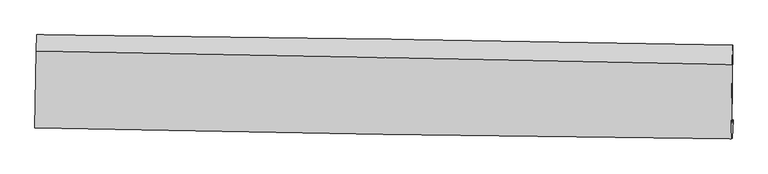
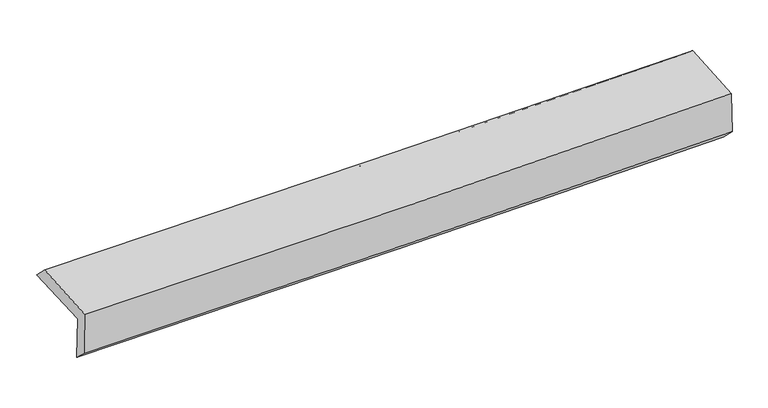
"""IFC4 building model written with IfcOpenShell, lengths in millimetres: proxy geometry."""

import ifcopenshell
import ifcopenshell.guid

model = None  # the IFC model being written
_history = None  # IfcOwnerHistory: only IFC2X3 demands one
_inside = {}  # id of a spatial element -> (the spatial element, [elements in it])
_under = {}  # id of a project, library or spatial element -> (it, [spatial elements below it])
_declared = {}  # id of a project -> (the project, [libraries it declares])
_typed = {}  # id of a type object -> (the type object, [elements of that type])
_made_of = {}  # id of a material, layer set ... -> (it, [elements and type objects made of it])


def new_model(schema):
    """Start an empty IFC model of exactly this schema.

    Asked for "IFC4X3", IfcOpenShell would pick the latest addendum, in which some entities
    have other attributes; the version numbers below select the first issue.
    IFC2X3 requires an IfcOwnerHistory on every rooted entity: one is made here for all.
    """
    global model, _history
    if schema == "IFC4X3":
        model = ifcopenshell.file(schema_version=(4, 3, 0, 0))
    else:
        model = ifcopenshell.file(schema=schema)
    _inside.clear()
    _under.clear()
    _declared.clear()
    _typed.clear()
    _made_of.clear()
    _history = None
    if model.schema == "IFC2X3":
        org = make("IfcOrganization", Name="unknown")
        user = make(
            "IfcPersonAndOrganization",
            ThePerson=make("IfcPerson", FamilyName="unknown"),
            TheOrganization=org,
        )
        app = make(
            "IfcApplication",
            ApplicationDeveloper=org,
            Version="unknown",
            ApplicationFullName="unknown",
            ApplicationIdentifier="unknown",
        )
        _history = make(
            "IfcOwnerHistory",
            OwningUser=user,
            OwningApplication=app,
            ChangeAction="ADDED",
            CreationDate=0,
        )
    return model


def make(cls, **values):
    """One entity of the class cls with the attributes given. An attribute that is None is left unset."""
    return model.create_entity(
        cls, **{name: value for name, value in values.items() if value is not None}
    )


def rooted(cls, **values):
    """An entity with a GlobalId (a new one), such as an element, a storey or a relation."""
    return make(cls, GlobalId=ifcopenshell.guid.new(), OwnerHistory=_history, **values)


def si_unit(unit_type, name, prefix=None):
    """IfcSIUnit, for example si_unit("LENGTHUNIT", "METRE", prefix="MILLI")."""
    return make("IfcSIUnit", UnitType=unit_type, Prefix=prefix, Name=name)


def assignment(units):
    """IfcUnitAssignment: the units of a project."""
    return None if units is None else make("IfcUnitAssignment", Units=units)


def point(xyz):
    """IfcCartesianPoint."""
    return None if xyz is None else make("IfcCartesianPoint", Coordinates=xyz)


def direction(xyz):
    """IfcDirection."""
    return None if xyz is None else make("IfcDirection", DirectionRatios=xyz)


def frame(location, z_axis=None, x_axis=None):
    """IfcAxis2Placement3D, a coordinate frame: its origin and axes. An axis left out is left unset."""
    return make(
        "IfcAxis2Placement3D",
        Location=point(location),
        Axis=direction(z_axis),
        RefDirection=direction(x_axis),
    )


def origin():
    """The frame at (0, 0, 0) with its axes left unset."""
    return frame((0.0, 0.0, 0.0))


def place(relative_to, where):
    """IfcLocalPlacement: puts the frame where relative to a parent placement (None: the world)."""
    return make(
        "IfcLocalPlacement", PlacementRelTo=relative_to, RelativePlacement=where
    )


def context(
    kind, dimensions, precision=None, world=None, true_north=None, identifier=None
):
    """IfcGeometricRepresentationContext, for example the 3D "Model" context."""
    return make(
        "IfcGeometricRepresentationContext",
        ContextIdentifier=identifier,
        ContextType=kind,
        CoordinateSpaceDimension=dimensions,
        Precision=precision,
        WorldCoordinateSystem=world,
        TrueNorth=true_north,
    )


def project(units=None, contexts=None):
    """IfcProject with its units and contexts."""
    return rooted(
        "IfcProject",
        Name="project",
        RepresentationContexts=contexts,
        UnitsInContext=assignment(units),
    )


def spatial(cls, under=None, at=None, **own):
    """A site, building, storey or space (cls), placed at a placement, below another one or the project."""
    s = rooted(cls, ObjectPlacement=at, **own)
    if under is not None:
        _under.setdefault(under.id(), (under, []))[1].append(s)
    return s


def shape(context_of_items, identifier, shape_type, items):
    """IfcShapeRepresentation: the items that make up one representation, for example the "Body"."""
    return make(
        "IfcShapeRepresentation",
        ContextOfItems=context_of_items,
        RepresentationIdentifier=identifier,
        RepresentationType=shape_type,
        Items=items,
    )


def source(mapping_origin, context_of_items, identifier, shape_type, items):
    """IfcRepresentationMap: a shape defined once, which mapped items show again and again."""
    return make(
        "IfcRepresentationMap",
        MappingOrigin=mapping_origin,
        MappedRepresentation=shape(context_of_items, identifier, shape_type, items),
    )


def transform(
    local_origin,
    x_axis=None,
    y_axis=None,
    z_axis=None,
    scale=None,
    scale2=None,
    scale3=None,
    uniform=True,
):
    """IfcCartesianTransformationOperator3D, or its non-uniform kind. x_axis, y_axis, z_axis: its Axis1, 2, 3."""
    if uniform:
        return make(
            "IfcCartesianTransformationOperator3D",
            Axis1=direction(x_axis),
            Axis2=direction(y_axis),
            LocalOrigin=point(local_origin),
            Scale=scale,
            Axis3=direction(z_axis),
        )
    return make(
        "IfcCartesianTransformationOperator3DnonUniform",
        Axis1=direction(x_axis),
        Axis2=direction(y_axis),
        LocalOrigin=point(local_origin),
        Scale=scale,
        Axis3=direction(z_axis),
        Scale2=scale2,
        Scale3=scale3,
    )


def mapped(mapping_source, mapping_target):
    """IfcMappedItem: shows the shape of a source again, moved by a transform."""
    return make(
        "IfcMappedItem", MappingSource=mapping_source, MappingTarget=mapping_target
    )


def made_of(thing, what):
    """Note that an element or type object is made of a material, layer set ...; save() writes the relation."""
    if what is not None:
        _made_of.setdefault(what.id(), (what, []))[1].append(thing)
    return thing


def element(
    cls,
    number,
    at=None,
    inside=None,
    cuts=None,
    type_object=None,
    material=None,
    context=None,
    identifier="Body",
    shape_type=None,
    held_by="IfcProductDefinitionShape",
    body=None,
    shapes=None,
    **own,
):
    """One element of the class cls, such as IfcWall. Its Tag is "e" and its number.

    at: its placement. inside: the storey or other place that contains it. cuts: it is an
    opening in that element (IfcRelVoidsElement). A single representation is given by context,
    identifier, shape_type and body (its items); several are given by shapes. held_by: the class
    of the entity that holds the representations. save() writes the other relations.
    """
    e = rooted(cls, Tag="e%d" % number, ObjectPlacement=at, **own)
    if body is not None:
        shapes = [shape(context, identifier, shape_type, body)]
    if shapes is not None:
        e.Representation = make(held_by, Representations=shapes)
    if inside is not None:
        _inside.setdefault(inside.id(), (inside, []))[1].append(e)
    if cuts is not None:
        rooted(
            "IfcRelVoidsElement", RelatingBuildingElement=cuts, RelatedOpeningElement=e
        )
    if type_object is not None:
        _typed.setdefault(type_object.id(), (type_object, []))[1].append(e)
    return made_of(e, material)


def aggregate(whole, parts):
    """IfcRelAggregates: a whole, such as a stair, and the parts it consists of."""
    return rooted("IfcRelAggregates", RelatingObject=whole, RelatedObjects=parts)


def save(model, path):
    """Write the relations noted so far, then the file.

    IfcRelAggregates (storeys below a building ...), IfcRelContainedInSpatialStructure (elements
    in a storey), IfcRelDefinesByType, IfcRelAssociatesMaterial and IfcRelDeclares: one each for
    every whole, place, type object, material and project.
    """
    for whole, parts in _under.values():
        aggregate(whole, parts)
    for where, things in _inside.values():
        rooted(
            "IfcRelContainedInSpatialStructure",
            RelatedElements=things,
            RelatingStructure=where,
        )
    for kind, things in _typed.values():
        rooted("IfcRelDefinesByType", RelatedObjects=things, RelatingType=kind)
    for what, things in _made_of.values():
        rooted("IfcRelAssociatesMaterial", RelatedObjects=things, RelatingMaterial=what)
    for by, libraries in _declared.values():
        rooted("IfcRelDeclares", RelatingContext=by, RelatedDefinitions=libraries)
    model.write(path)


def plane_surface(at):
    """IfcPlane: the flat surface through the origin of the frame at, square to its z axis."""
    return make("IfcPlane", Position=at)


def spline_curve(degree, points, multiplicities, knots, weights=None):
    """IfcBSplineCurveWithKnots; with weights, IfcRationalBSplineCurveWithKnots."""
    own = dict(
        Degree=degree,
        ControlPointsList=[point(p) for p in points],
        CurveForm="UNSPECIFIED",
        ClosedCurve=False,
        SelfIntersect=False,
        KnotMultiplicities=multiplicities,
        Knots=knots,
        KnotSpec="UNSPECIFIED",
    )
    if weights is None:
        return make("IfcBSplineCurveWithKnots", **own)
    return make("IfcRationalBSplineCurveWithKnots", WeightsData=weights, **own)


def spline_surface(u_degree, v_degree, points, u_multiplicities, v_multiplicities, u_knots, v_knots, weights=None):
    """IfcBSplineSurfaceWithKnots; with weights, IfcRationalBSplineSurfaceWithKnots. points: one row for each step in u."""
    own = dict(
        UDegree=u_degree,
        VDegree=v_degree,
        ControlPointsList=[[point(p) for p in row] for row in points],
        SurfaceForm="UNSPECIFIED",
        UClosed=False,
        VClosed=False,
        SelfIntersect=False,
        UMultiplicities=u_multiplicities,
        VMultiplicities=v_multiplicities,
        UKnots=u_knots,
        VKnots=v_knots,
        KnotSpec="UNSPECIFIED",
    )
    if weights is None:
        return make("IfcBSplineSurfaceWithKnots", **own)
    return make("IfcRationalBSplineSurfaceWithKnots", WeightsData=weights, **own)


def advanced_brep(points, edges, surfaces, faces):
    """IfcAdvancedBrep: a solid bounded by faces that lie on surfaces and meet in shared edges.

    An edge is (start, end): straight between two places in points (the first is 0);
    or (start, end, curve); or (start, end, curve, False) where it runs against its curve.
    A face is (place in surfaces, loops), or (place, loops, False) where it looks against
    its surface's normal. A loop lists edges by number (the first is 1), with a minus sign
    where the edge is run from its end to its start. The first loop is the outer one.
    """
    corners = [point(p) for p in points]
    vertices = [make("IfcVertexPoint", VertexGeometry=c) for c in corners]
    made = []
    for start, end, *more in edges:
        made.append(
            make(
                "IfcEdgeCurve",
                EdgeStart=vertices[start],
                EdgeEnd=vertices[end],
                EdgeGeometry=more[0] if more else make("IfcPolyline", Points=[corners[start], corners[end]]),
                SameSense=more[1] if len(more) > 1 else True,
            )
        )
    hull = []
    for where, loops, *sense in faces:
        bounds = []
        for j, loop in enumerate(loops):
            ring = [make("IfcOrientedEdge", EdgeElement=made[abs(k) - 1], Orientation=k > 0) for k in loop]
            bounds.append(
                make(
                    "IfcFaceOuterBound" if j == 0 else "IfcFaceBound",
                    Bound=make("IfcEdgeLoop", EdgeList=ring),
                    Orientation=True,
                )
            )
        hull.append(make("IfcAdvancedFace", Bounds=bounds, FaceSurface=surfaces[where], SameSense=sense[0] if sense else True))
    return make("IfcAdvancedBrep", Outer=make("IfcClosedShell", CfsFaces=hull))


def generic_models_f4f57d5a(model_context):
    return source(origin(), model_context, "Body", "AdvancedBrep", [
        advanced_brep(
        [(-3020.6107337, -1776.0668922, 1961.0609349), (-3010.3245204, -1089.8869661, 1980.5901374), (3007.3555932, -1179.8461074, 2122.3562243), (2996.9716778, -1863.8270808, 2107.8875357), (-3009.5110126, -1742.4193457, 1556.7499115), (3008.4908707, -1828.5810271, 1688.493872), (-3015.0970131, -1885.8558528, 1684.0864472), (3002.0153438, -1986.190588, 1841.3245907), (-3025.7477504, -1897.2039099, 2084.6447992), (2991.8391737, -1992.1201632, 2226.9919516), (-3016.0872164, -1229.4020088, 2117.045352), (3001.1761678, -1346.7793361, 2258.2497251)],
        [
            (0, 1),
            (1, 2, spline_curve(3, [(-3010.3245204, -1089.8869661, 1980.5901374), (-2006.980981558, -1100.875674663, 1990.969735112), (-1003.829620601, -1113.866742347, 2007.973604268), (1002.063740837, -1143.853222658, 2055.229296668), (2004.805751146, -1160.848535233, 2085.480789746), (3007.3555932, -1179.8461074, 2122.3562243)], [4, 2, 4], [0.0, 9.875690286302591, 19.751134365817492])),
            (2, 3),
            (3, 0, spline_curve(3, [(2996.9716778, -1863.8270808, 2107.8875357), (1994.405657464, -1844.456136855, 2071.855634586), (991.663699376, -1827.45737767, 2041.604214481), (-1014.197095734, -1798.203863271, 1992.661725828), (-2017.315941594, -1785.949226192, 1973.97094584), (-3020.6107337, -1776.0668922, 1961.0609349)], [4, 2, 4], [0.0, 9.875444079514901, 19.751134365817492])),
            (4, 0),
            (3, 5),
            (5, 4, spline_curve(3, [(3008.4908707, -1828.5810271, 1688.493872), (2005.822654509, -1809.470277219, 1656.214338164), (1002.994642725, -1792.734822018, 1629.095980589), (-1003.005976827, -1764.014142966, 1585.181069792), (-2006.178593042, -1752.029037595, 1568.384774015), (-3009.5110126, -1742.4193457, 1556.7499115)], [4, 2, 4], [0.0, 9.875463397849995, 19.75117300296931])),
            (6, 4),
            (5, 7),
            (7, 6, spline_curve(3, [(3002.0153438, -1986.190588, 1841.3245907), (1999.124569731, -1974.443380107, 1813.126129157), (996.259403107, -1960.20868352, 1785.923870674), (-1009.444717313, -1926.763895976, 1733.511106378), (-2012.283669671, -1907.553680585, 1708.300650573), (-3015.0970131, -1885.8558528, 1684.0864472)], [4, 2, 4], [0.0, 9.875282574843377, 19.750811352447936])),
            (8, 6),
            (7, 9),
            (9, 8, spline_curve(3, [(2991.8391737, -1992.1201632, 2226.9919516), (1988.976935356, -1982.798963353, 2196.241925497), (986.086490172, -1970.228814677, 2169.004753617), (-1019.775816349, -1938.590225334, 2121.555527707), (-2022.747679499, -1919.521623027, 2101.343648721), (-3025.7477504, -1897.2039099, 2084.6447992)], [4, 2, 4], [0.0, 9.875290897772032, 19.75082799851275])),
            (10, 8),
            (9, 11),
            (11, 10, spline_curve(3, [(3001.1761678, -1346.7793361, 2258.2497251), (1998.475698638, -1326.227645704, 2228.071086044), (995.693100145, -1306.170472335, 2201.214840974), (-1010.061356978, -1267.044672144, 2154.146550698), (-2013.033220065, -1247.976069578, 2133.934671647), (-3016.0872164, -1229.4020088, 2117.045352)], [4, 2, 4], [0.0, 9.875334388170366, 19.750914980393684])),
            (1, 10),
            (11, 2),
        ],
        [
            spline_surface(3, 3, [[(-3020.6107337, -1776.0668922, 1961.0609349), (-2017.315941519, -1785.949226314, 1973.970945815), (-1014.197095714, -1798.203863232, 1992.661725903), (991.663699355, -1827.457377709, 2041.604214407), (1994.405657367, -1844.456137005, 2071.855634575), (2996.9716778, -1863.8270808, 2107.8875357)], [(-3017.181995939, -1547.340250141, 1967.570669069), (-2013.870954882, -1557.591375713, 1979.63720888), (-1010.741270723, -1570.091489606, 1997.765685336), (995.130379871, -1599.589326021, 2046.145908531), (1997.872355324, -1616.58693643, 2076.397353003), (3000.432982947, -1635.833423002, 2112.710431884)], [(-3013.753258161, -1318.613608159, 1974.080403231), (-2010.425968228, -1329.233525187, 1985.303471938), (-1007.285445695, -1341.979115983, 2002.869644747), (998.597060424, -1371.721274337, 2050.687602632), (2001.339053242, -1388.717735847, 2080.939071479), (3003.894288053, -1407.839765198, 2117.533328116)], [(-3010.3245204, -1089.8869661, 1980.5901374), (-2006.980981591, -1100.875674586, 1990.969735003), (-1003.829620705, -1113.866742356, 2007.97360418), (1002.06374094, -1143.853222649, 2055.229296757), (2004.8057512, -1160.848535271, 2085.480789906), (3007.3555932, -1179.8461074, 2122.3562243)]], [4, 4], [4, 2, 4], [0.0, 2.2447587265424827], [0.0, 9.875690286302591, 19.751134365817492]),
            spline_surface(3, 3, [[(-3009.5110126, -1742.4193457, 1556.7499115), (-2006.178593074, -1752.029037731, 1568.384773984), (-1003.005976953, -1764.014143045, 1585.181069756), (1002.994642852, -1792.734821939, 1629.095980625), (2005.822654486, -1809.470277115, 1656.214338319), (3008.4908707, -1828.5810271, 1688.493872)], [(-3013.210919631, -1753.635194543, 1691.520252651), (-2009.891042554, -1763.335767268, 1703.580164612), (-1006.736349864, -1775.410716448, 1721.007955149), (999.217661696, -1804.309007203, 1766.598725229), (2002.016988783, -1821.132230426, 1794.761437077), (3004.651139737, -1840.329711681, 1828.291759906)], [(-3016.910826669, -1764.851043357, 1826.290593749), (-2013.603492039, -1774.642496777, 1838.775555186), (-1010.466722803, -1786.807289829, 1856.83484051), (995.440680511, -1815.883192445, 1904.101469803), (1998.211323069, -1832.794183695, 1933.308535817), (3000.811408763, -1852.078396219, 1968.089647794)], [(-3020.6107337, -1776.0668922, 1961.0609349), (-2017.315941519, -1785.949226314, 1973.970945815), (-1014.197095714, -1798.203863232, 1992.661725903), (991.663699355, -1827.457377709, 2041.604214407), (1994.405657367, -1844.456137005, 2071.855634575), (2996.9716778, -1863.8270808, 2107.8875357)]], [4, 4], [4, 2, 4], [0.0, 1.3503732524087149], [0.0, 9.875709605119315, 19.75117300296931]),
            spline_surface(3, 3, [[(-3015.0970131, -1885.8558528, 1684.0864472), (-2012.28366959, -1907.553680704, 1708.300650456), (-1009.444717213, -1926.763895897, 1733.511106432), (996.259403008, -1960.208683598, 1785.92387062), (1999.124569642, -1974.443380135, 1813.126129116), (3002.0153438, -1986.190588, 1841.3245907)], [(-3013.235012954, -1838.043683759, 1641.640935293), (-2010.248644105, -1855.712133038, 1661.662024958), (-1007.298470452, -1872.513978278, 1684.067760868), (998.504482964, -1904.384063044, 1733.647907283), (2001.357264598, -1919.452345774, 1760.822198846), (3004.173852775, -1933.654067679, 1790.381017796)], [(-3011.373012746, -1790.231514741, 1599.195423407), (-2008.213618559, -1803.870585396, 1615.023399481), (-1005.152223714, -1818.264060664, 1634.62441532), (1000.749562896, -1848.559442494, 1681.371943962), (2003.58995953, -1864.461311476, 1708.518268588), (3006.332361725, -1881.117547421, 1739.437444904)], [(-3009.5110126, -1742.4193457, 1556.7499115), (-2006.178593074, -1752.029037731, 1568.384773984), (-1003.005976953, -1764.014143045, 1585.181069756), (1002.994642852, -1792.734821939, 1629.095980625), (2005.822654486, -1809.470277115, 1656.214338319), (3008.4908707, -1828.5810271, 1688.493872)]], [4, 4], [4, 2, 4], [0.0, 0.7379015594648953], [0.0, 9.87552877760456, 19.750811352447936]),
            spline_surface(3, 3, [[(-3025.7477504, -1897.2039099, 2084.6447992), (-2022.747679472, -1919.521623026, 2101.343648594), (-1019.775816391, -1938.590225453, 2121.55552769), (986.086490213, -1970.228814557, 2169.004753634), (1988.976935211, -1982.798963217, 2196.241925374), (2991.8391737, -1992.1201632, 2226.9919516)], [(-3022.19750463, -1893.421224224, 1951.125348521), (-2019.259676174, -1915.532308943, 1970.329315869), (-1016.332116692, -1934.648115592, 1992.207387285), (989.477461117, -1966.888770896, 2041.311125977), (1992.359480026, -1980.013768876, 2068.536659974), (2995.231230404, -1990.143638153, 2098.436164653)], [(-3018.64725887, -1889.638538476, 1817.605897879), (-2015.771672888, -1911.542994787, 1839.314983181), (-1012.888416912, -1930.706005758, 1862.859246837), (992.868432104, -1963.54872726, 1913.617498276), (1995.742024827, -1977.228574476, 1940.831394516), (2998.623287096, -1988.167113047, 1969.880377647)], [(-3015.0970131, -1885.8558528, 1684.0864472), (-2012.28366959, -1907.553680704, 1708.300650456), (-1009.444717213, -1926.763895897, 1733.511106432), (996.259403008, -1960.208683598, 1785.92387062), (1999.124569642, -1974.443380135, 1813.126129116), (3002.0153438, -1986.190588, 1841.3245907)]], [4, 4], [4, 2, 4], [0.0, 1.2659239988147106], [0.0, 9.875537100740718, 19.75082799851275]),
            spline_surface(3, 3, [[(-3016.0872164, -1229.4020088, 2117.045352), (-2013.033220154, -1247.976069591, 2133.934671729), (-1010.061357073, -1267.044672018, 2154.146550826), (995.69310024, -1306.170472461, 2201.214840847), (1998.475698543, -1326.227645764, 2228.071086138), (3001.1761678, -1346.7793361, 2258.2497251)], [(-3019.307394378, -1452.002642493, 2106.245167733), (-2016.271373238, -1471.824587396, 2123.070997351), (-1013.299510157, -1490.893189823, 2143.282876447), (992.49089692, -1527.523253153, 2190.478145109), (1995.30944409, -1545.084751563, 2217.461365875), (2998.063836425, -1561.892945115, 2247.830467259)], [(-3022.527572422, -1674.603276207, 2095.444983467), (-2019.509526388, -1695.673105222, 2112.207322972), (-1016.537663307, -1714.741707649, 2132.419202069), (989.288693534, -1748.876033866, 2179.741449371), (1992.143189664, -1763.941857418, 2206.851645636), (2994.951505075, -1777.006554185, 2237.411209441)], [(-3025.7477504, -1897.2039099, 2084.6447992), (-2022.747679472, -1919.521623026, 2101.343648594), (-1019.775816391, -1938.590225453, 2121.55552769), (986.086490213, -1970.228814557, 2169.004753634), (1988.976935211, -1982.798963217, 2196.241925374), (2991.8391737, -1992.1201632, 2226.9919516)]], [4, 4], [4, 2, 4], [0.0, 2.1937577997460043], [0.0, 9.875580592223319, 19.750914980393684]),
            spline_surface(3, 3, [[(-3010.3245204, -1089.8869661, 1980.5901374), (-2006.980981591, -1100.875674586, 1990.969735003), (-1003.829620705, -1113.866742356, 2007.97360418), (1002.06374094, -1143.853222649, 2055.229296757), (2004.8057512, -1160.848535271, 2085.480789906), (3007.3555932, -1179.8461074, 2122.3562243)], [(-3012.245419068, -1136.39198034, 2026.075208932), (-2008.998394447, -1149.909139594, 2038.62471391), (-1005.90686616, -1164.926052255, 2056.697919701), (999.940194041, -1197.958972597, 2103.891144759), (2002.695733627, -1215.974905439, 2133.010888652), (3005.295784713, -1235.490516971, 2167.654057902)], [(-3014.166317732, -1182.89699456, 2071.560280468), (-2011.015807298, -1198.942604583, 2086.279692821), (-1007.984111617, -1215.98536212, 2105.422235304), (997.816647139, -1252.064722513, 2152.552992844), (2000.585716116, -1271.101275596, 2180.540987392), (3003.235976287, -1291.134926529, 2212.951891498)], [(-3016.0872164, -1229.4020088, 2117.045352), (-2013.033220154, -1247.976069591, 2133.934671729), (-1010.061357073, -1267.044672018, 2154.146550826), (995.69310024, -1306.170472461, 2201.214840847), (1998.475698543, -1326.227645764, 2228.071086138), (3001.1761678, -1346.7793361, 2258.2497251)]], [4, 4], [4, 2, 4], [0.0, 0.7056713500334735], [0.0, 9.875624819961132, 19.751003434766687]),
            plane_surface(frame((3001.3081378, -1699.5573838, 2040.8839832), z_axis=(0.9995347824141301, -0.01572730508072736, 0.026131793264829558), x_axis=(0.026373578149294735, 0.015367678767164803, -0.9995340258465003))),
            plane_surface(frame((-3016.2297078, -1603.4724959, 1897.3629304), z_axis=(-0.9995347824141346, 0.015727305080439305, -0.026131793264822158), x_axis=(-0.01498279865664163, -0.999483035443966, -0.02844604724966864))),
        ],
        [
            (0, [[1, 2, 3, 4]]),
            (1, [[5, -4, 6, 7]]),
            (2, [[8, -7, 9, 10]]),
            (3, [[11, -10, 12, 13]]),
            (4, [[14, -13, 15, 16]]),
            (5, [[17, -16, 18, -2]]),
            (6, [[-12, -9, -6, -3, -18, -15]]),
            (7, [[-1, -5, -8, -11, -14, -17]]),
        ],
    ),
    ])


if __name__ == "__main__":
    model = new_model("IFC4")
    model_context = context("Model", 3, world=origin())
    ifc_project = project(units=[si_unit("LENGTHUNIT", "METRE", prefix="MILLI")], contexts=[model_context])
    site = spatial("IfcSite", under=ifc_project)
    building = spatial("IfcBuilding", under=site)
    placement = place(None, origin())
    generic_models_shape = generic_models_f4f57d5a(model_context)
    element("IfcBuildingElementProxy", 1, Name="Generic Models", at=placement, inside=building, context=model_context, shape_type="MappedRepresentation", body=[
        mapped(generic_models_shape, transform((0.0, 0.0, 0.0), x_axis=(1.0, 0.0, 0.0), y_axis=(0.0, 1.0, 0.0), z_axis=(0.0, 0.0, 1.0))),
    ])
    save(model, "model.ifc")
